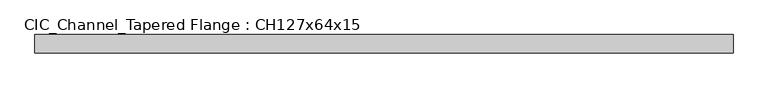
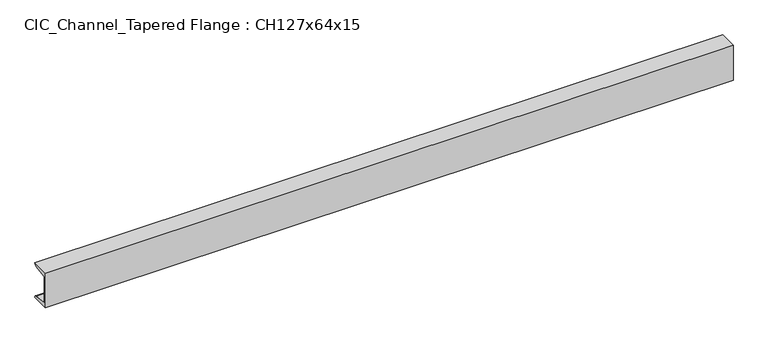
"""IFC4 building model written with IfcOpenShell, lengths in millimetres: beam geometry, CIC_Channel_Tapered Flange : CH127x64x15."""

from ifc_helpers import new_model, si_unit, point, frame, frame_2d, origin, place, context, project, spatial, polyline, circle_curve, trimmed, segment, composite_curve, outline, extrude, source, transform, mapped, element, save


def cic_channel_tapered_flange_ch127x64x15_09afb9c5(model_context):
    return source(origin(), model_context, "Body", "SweptSolid", [
        extrude(outline(composite_curve([segment(polyline([(-19.4, 63.5), (44.1, 63.5)]), True, "CONTINUOUS"), segment(trimmed(circle_curve(frame_2d((34.9, 63.5)), 9.2), [point((44.1, 63.5))], [point((34.9, 54.3))], False, "CARTESIAN"), True, "CONTINUOUS"), segment(polyline([(34.9, 54.3), (-13.0, 46.7133853), (-13.0, -46.7133853), (34.9, -54.3)]), True, "CONTINUOUS"), segment(trimmed(circle_curve(frame_2d((34.9, -63.5)), 9.2), [point((34.9, -54.3))], [point((44.1, -63.5))], False, "CARTESIAN"), True, "CONTINUOUS"), segment(polyline([(44.1, -63.5), (-19.4, -63.5), (-19.4, 63.5)]), True, "CONTINUOUS")], self_intersect=False)), frame((-1199.95, 0.0, 0.0), z_axis=(1.0, 0.0, 0.0), x_axis=(0.0, 1.0, 0.0)), (0.0, 0.0, 1.0), 2387.2),
    ])


if __name__ == "__main__":
    model = new_model("IFC4")
    model_context = context("Model", 3, world=origin())
    ifc_project = project(units=[si_unit("LENGTHUNIT", "METRE", prefix="MILLI")], contexts=[model_context])
    site = spatial("IfcSite", under=ifc_project)
    building = spatial("IfcBuilding", under=site)
    placement = place(None, origin())
    cic_channel_tapered_flange_ch127x64x15_shape = cic_channel_tapered_flange_ch127x64x15_09afb9c5(model_context)
    element("IfcBeam", 1, ObjectType="CIC_Channel_Tapered Flange : CH127x64x15", at=placement, inside=building, context=model_context, shape_type="MappedRepresentation", body=[
        mapped(cic_channel_tapered_flange_ch127x64x15_shape, transform((0.0, 0.0, 0.0), x_axis=(1.0, 0.0, 0.0), y_axis=(0.0, 1.0, 0.0), z_axis=(0.0, 0.0, 1.0))),
    ])
    save(model, "model.ifc")
